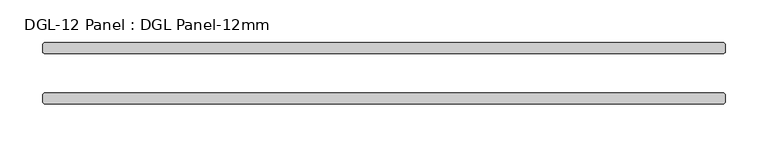
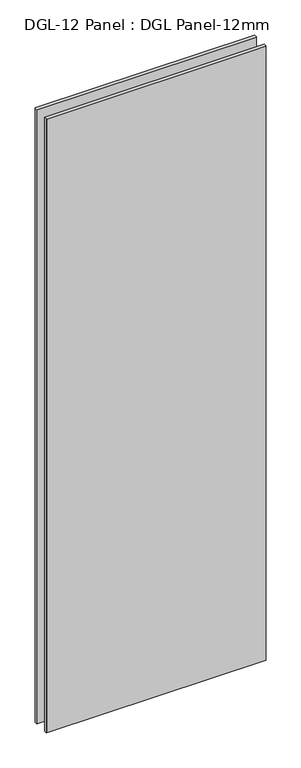
"""IFC4 building model written with IfcOpenShell, lengths in millimetres: plate geometry, DGL-12 Panel : DGL Panel-12mm."""

import ifcopenshell
import ifcopenshell.guid

model = None  # the IFC model being written
_history = None  # IfcOwnerHistory: only IFC2X3 demands one
_inside = {}  # id of a spatial element -> (the spatial element, [elements in it])
_under = {}  # id of a project, library or spatial element -> (it, [spatial elements below it])
_declared = {}  # id of a project -> (the project, [libraries it declares])
_typed = {}  # id of a type object -> (the type object, [elements of that type])
_made_of = {}  # id of a material, layer set ... -> (it, [elements and type objects made of it])


def new_model(schema):
    """Start an empty IFC model of exactly this schema.

    Asked for "IFC4X3", IfcOpenShell would pick the latest addendum, in which some entities
    have other attributes; the version numbers below select the first issue.
    IFC2X3 requires an IfcOwnerHistory on every rooted entity: one is made here for all.
    """
    global model, _history
    if schema == "IFC4X3":
        model = ifcopenshell.file(schema_version=(4, 3, 0, 0))
    else:
        model = ifcopenshell.file(schema=schema)
    _inside.clear()
    _under.clear()
    _declared.clear()
    _typed.clear()
    _made_of.clear()
    _history = None
    if model.schema == "IFC2X3":
        org = make("IfcOrganization", Name="unknown")
        user = make(
            "IfcPersonAndOrganization",
            ThePerson=make("IfcPerson", FamilyName="unknown"),
            TheOrganization=org,
        )
        app = make(
            "IfcApplication",
            ApplicationDeveloper=org,
            Version="unknown",
            ApplicationFullName="unknown",
            ApplicationIdentifier="unknown",
        )
        _history = make(
            "IfcOwnerHistory",
            OwningUser=user,
            OwningApplication=app,
            ChangeAction="ADDED",
            CreationDate=0,
        )
    return model


def make(cls, **values):
    """One entity of the class cls with the attributes given. An attribute that is None is left unset."""
    return model.create_entity(
        cls, **{name: value for name, value in values.items() if value is not None}
    )


def rooted(cls, **values):
    """An entity with a GlobalId (a new one), such as an element, a storey or a relation."""
    return make(cls, GlobalId=ifcopenshell.guid.new(), OwnerHistory=_history, **values)


def si_unit(unit_type, name, prefix=None):
    """IfcSIUnit, for example si_unit("LENGTHUNIT", "METRE", prefix="MILLI")."""
    return make("IfcSIUnit", UnitType=unit_type, Prefix=prefix, Name=name)


def assignment(units):
    """IfcUnitAssignment: the units of a project."""
    return None if units is None else make("IfcUnitAssignment", Units=units)


def point(xyz):
    """IfcCartesianPoint."""
    return None if xyz is None else make("IfcCartesianPoint", Coordinates=xyz)


def direction(xyz):
    """IfcDirection."""
    return None if xyz is None else make("IfcDirection", DirectionRatios=xyz)


def frame(location, z_axis=None, x_axis=None):
    """IfcAxis2Placement3D, a coordinate frame: its origin and axes. An axis left out is left unset."""
    return make(
        "IfcAxis2Placement3D",
        Location=point(location),
        Axis=direction(z_axis),
        RefDirection=direction(x_axis),
    )


def origin():
    """The frame at (0, 0, 0) with its axes left unset."""
    return frame((0.0, 0.0, 0.0))


def origin_with_axes():
    """The frame at (0, 0, 0) with the z axis (0, 0, 1) and the x axis (1, 0, 0) written out."""
    return frame((0.0, 0.0, 0.0), z_axis=(0.0, 0.0, 1.0), x_axis=(1.0, 0.0, 0.0))


def place(relative_to, where):
    """IfcLocalPlacement: puts the frame where relative to a parent placement (None: the world)."""
    return make(
        "IfcLocalPlacement", PlacementRelTo=relative_to, RelativePlacement=where
    )


def context(
    kind, dimensions, precision=None, world=None, true_north=None, identifier=None
):
    """IfcGeometricRepresentationContext, for example the 3D "Model" context."""
    return make(
        "IfcGeometricRepresentationContext",
        ContextIdentifier=identifier,
        ContextType=kind,
        CoordinateSpaceDimension=dimensions,
        Precision=precision,
        WorldCoordinateSystem=world,
        TrueNorth=true_north,
    )


def project(units=None, contexts=None):
    """IfcProject with its units and contexts."""
    return rooted(
        "IfcProject",
        Name="project",
        RepresentationContexts=contexts,
        UnitsInContext=assignment(units),
    )


def spatial(cls, under=None, at=None, **own):
    """A site, building, storey or space (cls), placed at a placement, below another one or the project."""
    s = rooted(cls, ObjectPlacement=at, **own)
    if under is not None:
        _under.setdefault(under.id(), (under, []))[1].append(s)
    return s


def polyline(points):
    """IfcPolyline through the points."""
    return make("IfcPolyline", Points=[point(p) for p in points])


def outline(outer, holes=None, kind="AREA"):
    """IfcArbitraryClosedProfileDef: a profile drawn as a closed curve; with holes, ...WithVoids."""
    if holes is None:
        return make("IfcArbitraryClosedProfileDef", ProfileType=kind, OuterCurve=outer)
    return make(
        "IfcArbitraryProfileDefWithVoids",
        ProfileType=kind,
        OuterCurve=outer,
        InnerCurves=holes,
    )


def extrude(swept, where, along, depth):
    """IfcExtrudedAreaSolid: the profile swept, set in the frame where, extruded along a direction by depth."""
    return make(
        "IfcExtrudedAreaSolid",
        SweptArea=swept,
        Position=where,
        ExtrudedDirection=direction(along),
        Depth=depth,
    )


def shape(context_of_items, identifier, shape_type, items):
    """IfcShapeRepresentation: the items that make up one representation, for example the "Body"."""
    return make(
        "IfcShapeRepresentation",
        ContextOfItems=context_of_items,
        RepresentationIdentifier=identifier,
        RepresentationType=shape_type,
        Items=items,
    )


def source(mapping_origin, context_of_items, identifier, shape_type, items):
    """IfcRepresentationMap: a shape defined once, which mapped items show again and again."""
    return make(
        "IfcRepresentationMap",
        MappingOrigin=mapping_origin,
        MappedRepresentation=shape(context_of_items, identifier, shape_type, items),
    )


def transform(
    local_origin,
    x_axis=None,
    y_axis=None,
    z_axis=None,
    scale=None,
    scale2=None,
    scale3=None,
    uniform=True,
):
    """IfcCartesianTransformationOperator3D, or its non-uniform kind. x_axis, y_axis, z_axis: its Axis1, 2, 3."""
    if uniform:
        return make(
            "IfcCartesianTransformationOperator3D",
            Axis1=direction(x_axis),
            Axis2=direction(y_axis),
            LocalOrigin=point(local_origin),
            Scale=scale,
            Axis3=direction(z_axis),
        )
    return make(
        "IfcCartesianTransformationOperator3DnonUniform",
        Axis1=direction(x_axis),
        Axis2=direction(y_axis),
        LocalOrigin=point(local_origin),
        Scale=scale,
        Axis3=direction(z_axis),
        Scale2=scale2,
        Scale3=scale3,
    )


def mapped(mapping_source, mapping_target):
    """IfcMappedItem: shows the shape of a source again, moved by a transform."""
    return make(
        "IfcMappedItem", MappingSource=mapping_source, MappingTarget=mapping_target
    )


def made_of(thing, what):
    """Note that an element or type object is made of a material, layer set ...; save() writes the relation."""
    if what is not None:
        _made_of.setdefault(what.id(), (what, []))[1].append(thing)
    return thing


def element(
    cls,
    number,
    at=None,
    inside=None,
    cuts=None,
    type_object=None,
    material=None,
    context=None,
    identifier="Body",
    shape_type=None,
    held_by="IfcProductDefinitionShape",
    body=None,
    shapes=None,
    **own,
):
    """One element of the class cls, such as IfcWall. Its Tag is "e" and its number.

    at: its placement. inside: the storey or other place that contains it. cuts: it is an
    opening in that element (IfcRelVoidsElement). A single representation is given by context,
    identifier, shape_type and body (its items); several are given by shapes. held_by: the class
    of the entity that holds the representations. save() writes the other relations.
    """
    e = rooted(cls, Tag="e%d" % number, ObjectPlacement=at, **own)
    if body is not None:
        shapes = [shape(context, identifier, shape_type, body)]
    if shapes is not None:
        e.Representation = make(held_by, Representations=shapes)
    if inside is not None:
        _inside.setdefault(inside.id(), (inside, []))[1].append(e)
    if cuts is not None:
        rooted(
            "IfcRelVoidsElement", RelatingBuildingElement=cuts, RelatedOpeningElement=e
        )
    if type_object is not None:
        _typed.setdefault(type_object.id(), (type_object, []))[1].append(e)
    return made_of(e, material)


def aggregate(whole, parts):
    """IfcRelAggregates: a whole, such as a stair, and the parts it consists of."""
    return rooted("IfcRelAggregates", RelatingObject=whole, RelatedObjects=parts)


def save(model, path):
    """Write the relations noted so far, then the file.

    IfcRelAggregates (storeys below a building ...), IfcRelContainedInSpatialStructure (elements
    in a storey), IfcRelDefinesByType, IfcRelAssociatesMaterial and IfcRelDeclares: one each for
    every whole, place, type object, material and project.
    """
    for whole, parts in _under.values():
        aggregate(whole, parts)
    for where, things in _inside.values():
        rooted(
            "IfcRelContainedInSpatialStructure",
            RelatedElements=things,
            RelatingStructure=where,
        )
    for kind, things in _typed.values():
        rooted("IfcRelDefinesByType", RelatedObjects=things, RelatingType=kind)
    for what, things in _made_of.values():
        rooted("IfcRelAssociatesMaterial", RelatedObjects=things, RelatingMaterial=what)
    for by, libraries in _declared.values():
        rooted("IfcRelDeclares", RelatingContext=by, RelatedDefinitions=libraries)
    model.write(path)


def dgl_12_panel_dgl_panel_12mm_5557fbb1(model_context):
    return source(origin(), model_context, "Body", "SweptSolid", [
        extrude(outline(polyline([(395.2915912, -22.9195313), (396.8790912, -24.5070313), (396.8790912, -34.0320313), (395.2915912, -35.6195313), (-395.2915912, -35.6195313), (-396.8790912, -34.0320313), (-396.8790912, -24.5070313), (-395.2915912, -22.9195313), (395.2915912, -22.9195313)])), origin_with_axes(), (0.0, 0.0, 1.0), 2339.4648576),
        extrude(outline(polyline([(395.2915912, 35.6195312), (396.8790912, 34.0320312), (396.8790912, 24.5070312), (395.2915912, 22.9195312), (-395.2915912, 22.9195312), (-396.8790912, 24.5070312), (-396.8790912, 34.0320312), (-395.2915912, 35.6195312), (395.2915912, 35.6195312)])), origin_with_axes(), (0.0, 0.0, 1.0), 2339.4648576),
    ])


if __name__ == "__main__":
    model = new_model("IFC4")
    model_context = context("Model", 3, world=origin())
    ifc_project = project(units=[si_unit("LENGTHUNIT", "METRE", prefix="MILLI")], contexts=[model_context])
    site = spatial("IfcSite", under=ifc_project)
    building = spatial("IfcBuilding", under=site)
    placement = place(None, origin())
    dgl_12_panel_dgl_panel_12mm_shape = dgl_12_panel_dgl_panel_12mm_5557fbb1(model_context)
    element("IfcPlate", 1, ObjectType="DGL-12 Panel : DGL Panel-12mm", at=placement, inside=building, context=model_context, shape_type="MappedRepresentation", body=[
        mapped(dgl_12_panel_dgl_panel_12mm_shape, transform((0.0, 0.0, 0.0), x_axis=(1.0, 0.0, 0.0), y_axis=(0.0, 1.0, 0.0), z_axis=(0.0, 0.0, 1.0))),
    ])
    save(model, "model.ifc")
